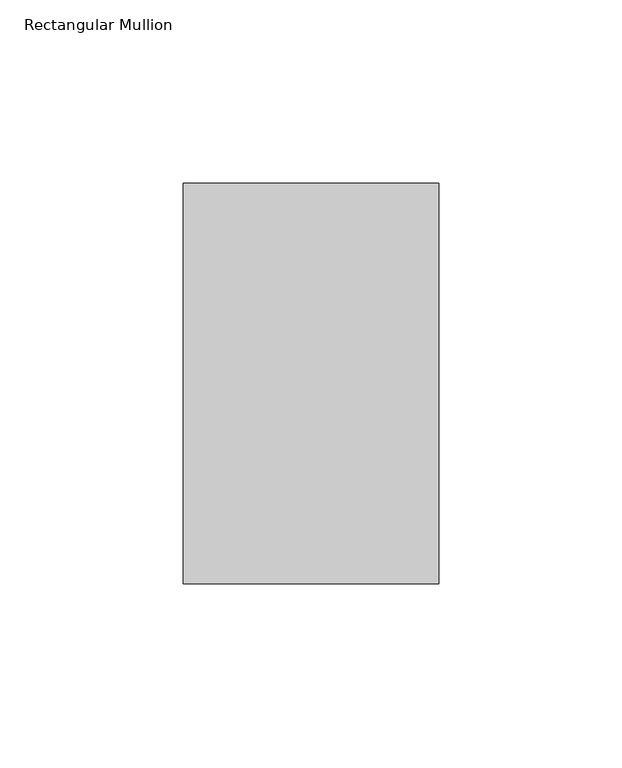
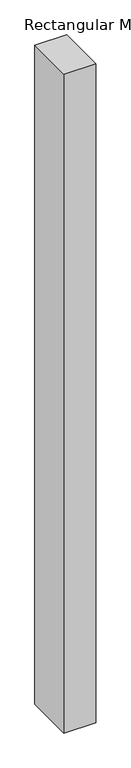
"""IFC4 building model written with IfcOpenShell, lengths in millimetres: member geometry, Rectangular Mullion."""

from ifc_helpers import new_model, si_unit, frame, origin, place, context, project, spatial, polyline, outline, extrude, source, transform, mapped, element, save


def rectangular_mullion_e27be4bf(model_context):
    return source(origin(), model_context, "Body", "SweptSolid", [
        extrude(outline(polyline([(0.0, -74.6125), (-69.85, -74.6125), (-69.85, 34.925), (0.0, 34.925), (0.0, -74.6125)])), frame((0.0, 0.0, -1524.0), z_axis=(0.0, 0.0, 1.0), x_axis=(1.0, 0.0, 0.0)), (0.0, 0.0, 1.0), 1524.0),
    ])


if __name__ == "__main__":
    model = new_model("IFC4")
    model_context = context("Model", 3, world=origin())
    ifc_project = project(units=[si_unit("LENGTHUNIT", "METRE", prefix="MILLI")], contexts=[model_context])
    site = spatial("IfcSite", under=ifc_project)
    building = spatial("IfcBuilding", under=site)
    placement = place(None, origin())
    rectangular_mullion_shape = rectangular_mullion_e27be4bf(model_context)
    element("IfcMember", 1, ObjectType="Rectangular Mullion", at=placement, inside=building, context=model_context, shape_type="MappedRepresentation", body=[
        mapped(rectangular_mullion_shape, transform((0.0, 0.0, 0.0), x_axis=(1.0, 0.0, 0.0), y_axis=(0.0, 1.0, 0.0), z_axis=(0.0, 0.0, 1.0))),
    ])
    save(model, "model.ifc")
